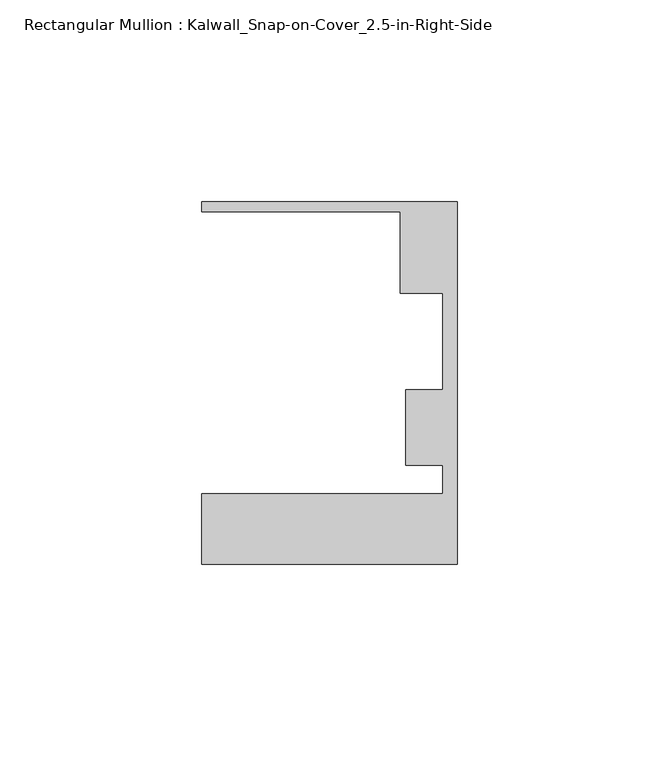
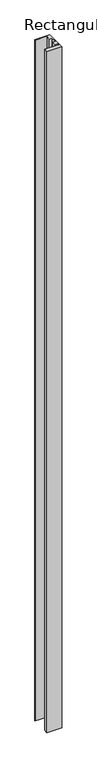
"""IFC4 building model written with IfcOpenShell, lengths in millimetres: member geometry, Rectangular Mullion : Kalwall_Snap-on-Cover_2.5-in-Right-Side."""

from ifc_helpers import new_model, si_unit, frame, origin, place, context, project, spatial, polyline, outline, extrude, source, transform, mapped, element, save


def rectangular_mullion_kalwall_snap_on_cover_2_5_in_right_side_105bb3c8(model_context):
    return source(origin(), model_context, "Body", "SweptSolid", [
        extrude(outline(polyline([(0.0, -52.5001386), (-63.5, -52.5001386), (-63.5, -35.0376386), (-3.7084, -35.0376386), (-3.7084, -27.8888568), (-12.8272539, -27.8888568), (-12.8272539, -9.1879886), (-3.7084, -9.1879886), (-3.7084, 14.7439614), (-14.1732, 14.7439614), (-14.1732, 34.9623614), (-63.5, 34.9623614), (-63.5, 37.5023614), (0.0, 37.5023614), (0.0, -52.5001386)])), frame((0.0, 0.0, -3098.8), z_axis=(0.0, 0.0, 1.0), x_axis=(1.0, 0.0, 0.0)), (0.0, 0.0, 1.0), 3098.8),
    ])


if __name__ == "__main__":
    model = new_model("IFC4")
    model_context = context("Model", 3, world=origin())
    ifc_project = project(units=[si_unit("LENGTHUNIT", "METRE", prefix="MILLI")], contexts=[model_context])
    site = spatial("IfcSite", under=ifc_project)
    building = spatial("IfcBuilding", under=site)
    placement = place(None, origin())
    rectangular_mullion_kalwall_snap_on_cover_2_5_in_right_side_shape = rectangular_mullion_kalwall_snap_on_cover_2_5_in_right_side_105bb3c8(model_context)
    element("IfcMember", 1, ObjectType="Rectangular Mullion : Kalwall_Snap-on-Cover_2.5-in-Right-Side", at=placement, inside=building, context=model_context, shape_type="MappedRepresentation", body=[
        mapped(rectangular_mullion_kalwall_snap_on_cover_2_5_in_right_side_shape, transform((0.0, 0.0, 0.0), x_axis=(1.0, 0.0, 0.0), y_axis=(0.0, 1.0, 0.0), z_axis=(0.0, 0.0, 1.0))),
    ])
    save(model, "model.ifc")
